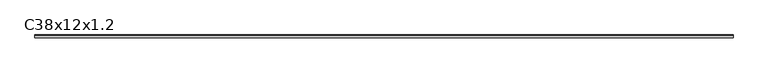
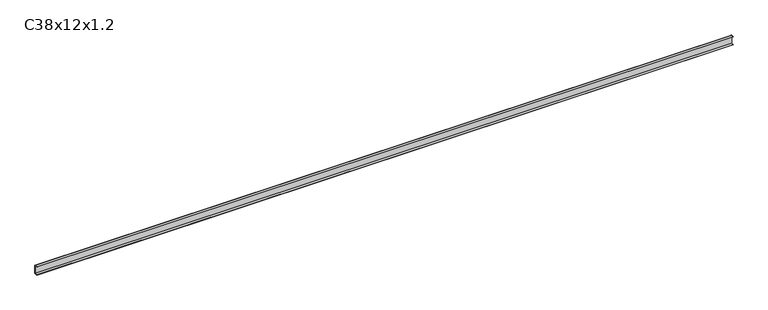
"""IFC4 building model written with IfcOpenShell, lengths in millimetres: proxy geometry, C38x12x1.2."""

from ifc_helpers import new_model, si_unit, point, frame, frame_2d, origin, place, context, project, spatial, polyline, circle_curve, trimmed, segment, composite_curve, outline, extrude, source, transform, mapped, element, save


def c38x12x1_2_85b23d08(model_context):
    return source(origin(), model_context, "Body", "SweptSolid", [
        extrude(outline(composite_curve([segment(polyline([(-6.0, 36.8), (-6.0, 38.0), (4.8, 38.0)]), True, "CONTINUOUS"), segment(trimmed(circle_curve(frame_2d((4.8, 36.8)), 1.2), [point((4.8, 38.0))], [point((6.0, 36.8))], False, "CARTESIAN"), True, "CONTINUOUS"), segment(polyline([(6.0, 36.8), (6.0, 1.2)]), True, "CONTINUOUS"), segment(trimmed(circle_curve(frame_2d((4.8, 1.2)), 1.2), [point((6.0, 1.2))], [point((4.8, 0.0))], False, "CARTESIAN"), True, "CONTINUOUS"), segment(polyline([(4.8, 0.0), (-6.0, 0.0), (-6.0, 1.2), (4.8, 1.2), (4.8, 36.8), (-6.0, 36.8)]), True, "CONTINUOUS")], self_intersect=False)), frame((0.0, 0.0, 0.0), z_axis=(1.0, 0.0, 0.0), x_axis=(0.0, 1.0, 0.0)), (0.0, 0.0, 1.0), 3000.0),
    ])


if __name__ == "__main__":
    model = new_model("IFC4")
    model_context = context("Model", 3, world=origin())
    ifc_project = project(units=[si_unit("LENGTHUNIT", "METRE", prefix="MILLI")], contexts=[model_context])
    site = spatial("IfcSite", under=ifc_project)
    building = spatial("IfcBuilding", under=site)
    placement = place(None, origin())
    c38x12x1_2_shape = c38x12x1_2_85b23d08(model_context)
    element("IfcBuildingElementProxy", 1, Name="C38x12x1.2", ObjectType="C38x12x1.2", at=placement, inside=building, context=model_context, shape_type="MappedRepresentation", body=[
        mapped(c38x12x1_2_shape, transform((0.0, 0.0, 0.0), x_axis=(1.0, 0.0, 0.0), y_axis=(0.0, 1.0, 0.0), z_axis=(0.0, 0.0, 1.0))),
    ])
    save(model, "model.ifc")
